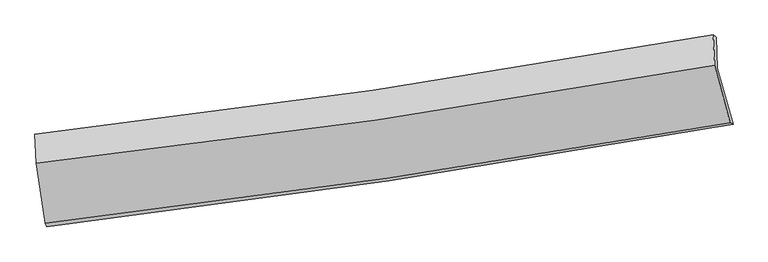
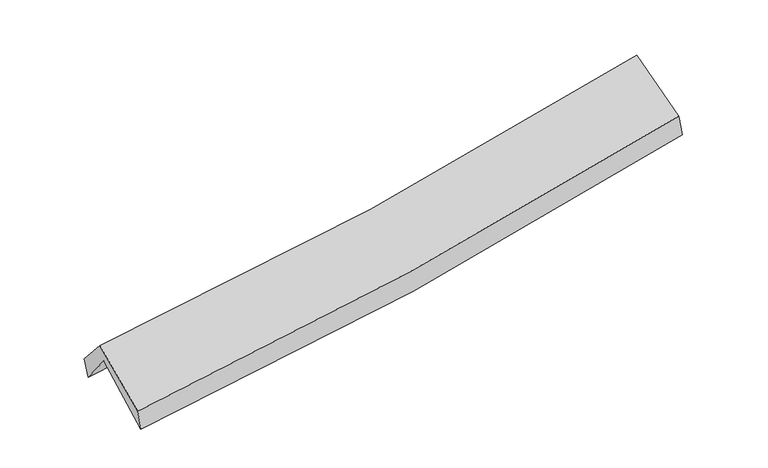
"""IFC4 building model written with IfcOpenShell, lengths in millimetres: proxy geometry."""

from ifc_helpers import new_model, si_unit, frame, origin, place, context, project, spatial, source, transform, mapped, element, save
from ifc_brep_helpers import plane_surface, spline_curve, spline_surface, advanced_brep


def generic_models_3a090ca8(model_context):
    return source(origin(), model_context, "Body", "AdvancedBrep", [
        advanced_brep(
        [(-2866.3892564, -2503.5052751, 1464.3320007), (-2946.8860263, -2006.2551035, 1908.978972), (2890.5660186, -1143.4750682, 2387.8150015), (3025.1133167, -1626.7370408, 1964.7339726), (-2954.8013443, -1748.7593887, 1585.4979298), (2881.4653097, -877.0172874, 2067.9956092), (-2969.7257867, -1708.7154659, 1759.7350859), (2854.0090467, -857.648911, 2272.4510231), (-2959.929709, -1961.6800041, 2044.3995968), (2866.9592614, -1118.1757308, 2550.7170563), (-2880.1546915, -2475.4684423, 1640.7003503), (2999.4364813, -1612.4139137, 2161.5877425)],
        [
            (0, 1),
            (1, 2, spline_curve(3, [(-2946.8860263, -2006.2551035, 1908.978972), (-1973.357359325, -1886.921230591, 1952.731665717), (-1003.078863233, -1755.865224794, 2014.159990658), (942.818565919, -1468.560700523, 2173.336491716), (1918.357418038, -1312.023361302, 2271.520176699), (2890.5660186, -1143.4750682, 2387.8150015)], [4, 2, 4], [0.0, 9.70239555851177, 19.523592096973115])),
            (2, 3),
            (3, 0, spline_curve(3, [(3025.1133167, -1626.7370408, 1964.7339726), (2044.369654065, -1800.863144651, 1838.250850648), (1060.030045253, -1961.35233185, 1733.184915097), (-903.890615276, -2253.280490471, 1566.89926502), (-1883.385197581, -2385.04738168, 1505.164543081), (-2866.3892564, -2503.5052751, 1464.3320007)], [4, 2, 4], [0.0, 9.821196538461345, 19.523592096973115])),
            (1, 4),
            (4, 5, spline_curve(3, [(-2954.8013443, -1748.7593887, 1585.4979298), (-1980.961960141, -1628.749141529, 1626.843635766), (-1010.624744041, -1496.615113595, 1687.362578864), (934.883763339, -1206.333129893, 1847.722730418), (1909.96876529, -1047.88645789, 1948.036347297), (2881.4653097, -877.0172874, 2067.9956092)], [4, 2, 4], [0.0, 9.655942303868986, 19.430116790822886])),
            (5, 2),
            (4, 6),
            (6, 7, spline_curve(3, [(-2969.7257867, -1708.7154659, 1759.7350859), (-1997.304720179, -1598.372269326, 1811.240204658), (-1028.712626027, -1472.803235846, 1879.357399358), (912.626660433, -1189.489532198, 2049.853407773), (1885.279510483, -1031.369714321, 2152.641525543), (2854.0090467, -857.648911, 2272.4510231)], [4, 2, 4], [0.0, 9.645975581589044, 19.410061308734576])),
            (7, 5),
            (6, 8),
            (8, 9, spline_curve(3, [(-2959.929709, -1961.6800041, 2044.3995968), (-1986.697905134, -1852.944788856, 2090.222840639), (-1017.43831986, -1728.807182277, 2154.955073771), (924.955874577, -1448.018589457, 2323.261663153), (1897.992612875, -1290.988104877, 2427.301916628), (2866.9592614, -1118.1757308, 2550.7170563)], [4, 2, 4], [0.0, 9.637038333565721, 19.392077380556785])),
            (9, 7),
            (8, 10),
            (10, 11, spline_curve(3, [(-2880.1546915, -2475.4684423, 1640.7003503), (-1899.426727643, -2359.938181252, 1691.862456437), (-922.0576912, -2230.772957022, 1760.479794124), (1037.888793534, -1943.42406532, 1933.678846417), (2020.383481422, -1784.904446652, 2038.690639794), (2999.4364813, -1612.4139137, 2161.5877425)], [4, 2, 4], [0.0, 9.683829754002046, 19.48623315896507])),
            (11, 9),
            (10, 0),
            (3, 11),
        ],
        [
            spline_surface(3, 3, [[(-2866.3892564, -2503.5052751, 1464.3320007), (-1883.385197615, -2385.047381549, 1505.16454316), (-903.890615399, -2253.280490487, 1566.899265054), (1060.030045378, -1961.352331833, 1733.184915062), (2044.369654182, -1800.863144743, 1838.250850497), (3025.1133167, -1626.7370408, 1964.7339726)], [(-2893.221513023, -2337.755217926, 1612.547657782), (-1913.375918191, -2219.005331255, 1654.353583954), (-936.953364656, -2087.475401928, 1715.986173569), (1020.959552208, -1797.088454716, 1879.902107319), (2002.365575452, -1637.916550214, 1982.673959216), (2980.264217354, -1465.649716591, 2105.760982229)], [(-2920.053769677, -2172.005160674, 1760.763314918), (-1943.366638797, -2052.963280884, 1803.542624802), (-970.01611392, -1921.670313382, 1865.073082055), (981.889059031, -1632.824577611, 2026.619299547), (1960.36149666, -1474.96995571, 2127.097067949), (2935.415117946, -1304.562392409, 2246.787991871)], [(-2946.8860263, -2006.2551035, 1908.978972), (-1973.357359373, -1886.921230591, 1952.731665597), (-1003.078863176, -1755.865224823, 2014.15999057), (942.818565861, -1468.560700494, 2173.336491805), (1918.35741793, -1312.02336118, 2271.520176668), (2890.5660186, -1143.4750682, 2387.8150015)]], [4, 4], [4, 2, 4], [0.0, 2.209802833311517], [0.0, 9.70239555851177, 19.523592096973115]),
            spline_surface(3, 3, [[(-2946.8860263, -2006.2551035, 1908.978972), (-1973.357359373, -1886.921230591, 1952.731665597), (-1003.078863176, -1755.865224823, 2014.15999057), (942.818565861, -1468.560700494, 2173.336491805), (1918.35741793, -1312.02336118, 2271.520176668), (2890.5660186, -1143.4750682, 2387.8150015)], [(-2949.524465639, -1920.42319856, 1801.151957933), (-1975.892226344, -1800.863867607, 1844.102322271), (-1005.594156862, -1669.44852104, 1905.227519953), (940.17363172, -1381.151510322, 2064.79857138), (1915.5612004, -1223.977726692, 2163.692233527), (2887.532448953, -1054.655807912, 2281.208537412)], [(-2952.162904961, -1834.59129364, 1693.324943867), (-1978.4270933, -1714.806504643, 1735.472978946), (-1008.109450499, -1583.031817275, 1796.295049353), (937.528697627, -1293.742320169, 1956.260650972), (1912.764982912, -1135.932092268, 2055.86429035), (2884.498879347, -965.836547688, 2174.602073288)], [(-2954.8013443, -1748.7593887, 1585.4979298), (-1980.961960271, -1628.74914166, 1626.84363562), (-1010.624744185, -1496.615113492, 1687.362578736), (934.883763485, -1206.333129997, 1847.722730547), (1909.968765382, -1047.88645778, 1948.036347209), (2881.4653097, -877.0172874, 2067.9956092)]], [4, 4], [4, 2, 4], [0.0, 1.3703524341783784], [0.0, 9.655942303868986, 19.430116790822886]),
            spline_surface(3, 3, [[(-2954.8013443, -1748.7593887, 1585.4979298), (-1980.961960271, -1628.74914166, 1626.84363562), (-1010.624744185, -1496.615113492, 1687.362578736), (934.883763485, -1206.333129997, 1847.722730547), (1909.968765382, -1047.88645778, 1948.036347209), (2881.4653097, -877.0172874, 2067.9956092)], [(-2959.776158417, -1735.411414431, 1643.576981835), (-1986.409546927, -1618.623517495, 1688.309158624), (-1016.654038089, -1488.677820894, 1751.360852244), (927.464729099, -1200.718597442, 1915.099623015), (1901.739013728, -1042.380876594, 2016.238073375), (2872.313222032, -870.561161939, 2136.147413843)], [(-2964.750972583, -1722.063440169, 1701.656033865), (-1991.85713363, -1608.497893337, 1749.774681624), (-1022.683332005, -1480.740528304, 1815.359125713), (920.0456947, -1195.104064896, 1982.476515444), (1893.509262076, -1036.875295393, 2084.439799511), (2863.161134368, -864.105036461, 2204.299218457)], [(-2969.7257867, -1708.7154659, 1759.7350859), (-1997.304720286, -1598.372269172, 1811.240204628), (-1028.712625909, -1472.803235706, 1879.357399221), (912.626660314, -1189.489532341, 2049.853407911), (1885.279510421, -1031.369714207, 2152.641525678), (2854.0090467, -857.648911, 2272.4510231)]], [4, 4], [4, 2, 4], [0.0, 0.6535165406036618], [0.0, 9.645975581589044, 19.410061308734576]),
            spline_surface(3, 3, [[(-2969.7257867, -1708.7154659, 1759.7350859), (-1997.304720286, -1598.372269172, 1811.240204628), (-1028.712625909, -1472.803235706, 1879.357399221), (912.626660314, -1189.489532341, 2049.853407911), (1885.279510421, -1031.369714207, 2152.641525678), (2854.0090467, -857.648911, 2272.4510231)], [(-2966.460427469, -1793.036978619, 1854.623256205), (-1993.769115283, -1683.229775686, 1904.234416666), (-1024.954523911, -1558.137884567, 1971.223290726), (916.736398452, -1275.665884757, 2140.98949295), (1889.517211226, -1117.909177796, 2244.194989277), (2858.325784916, -944.491184276, 2365.206367486)], [(-2963.195068231, -1877.358491381, 1949.511426495), (-1990.233510273, -1768.087282244, 1997.228628689), (-1021.196421961, -1643.472533356, 2063.08918231), (920.846136543, -1361.842237102, 2232.125578069), (1893.754912083, -1204.448641358, 2335.748452918), (2862.642523184, -1031.333457524, 2457.961711914)], [(-2959.929709, -1961.6800041, 2044.3995968), (-1986.69790527, -1852.944788759, 2090.222840727), (-1017.438319963, -1728.807182217, 2154.955073815), (924.955874681, -1448.018589518, 2323.261663109), (1897.992612888, -1290.988104947, 2427.301916517), (2866.9592614, -1118.1757308, 2550.7170563)]], [4, 4], [4, 2, 4], [0.0, 1.2349130488608309], [0.0, 9.637038333565721, 19.392077380556785]),
            spline_surface(3, 3, [[(-2959.929709, -1961.6800041, 2044.3995968), (-1986.69790527, -1852.944788759, 2090.222840727), (-1017.438319963, -1728.807182217, 2154.955073815), (924.955874681, -1448.018589518, 2323.261663109), (1897.992612888, -1290.988104947, 2427.301916517), (2866.9592614, -1118.1757308, 2550.7170563)], [(-2933.338036502, -2132.942816849, 1909.833181296), (-1957.607512716, -2021.94258631, 1957.436046005), (-985.644777016, -1896.129107174, 2023.463313872), (962.600180961, -1613.153748035, 2193.400724256), (1938.789569052, -1455.626885458, 2297.764824296), (2911.118334729, -1282.921791751, 2421.007285028)], [(-2906.746363998, -2304.205629551, 1775.266765804), (-1928.517120157, -2190.940383813, 1824.649251295), (-953.851234102, -2063.451032223, 1891.971553933), (1000.244487208, -1778.288906642, 2063.539785406), (1979.586525127, -1620.265666015, 2168.227732091), (2955.277407971, -1447.667852749, 2291.297513772)], [(-2880.1546915, -2475.4684423, 1640.7003503), (-1899.426727604, -2359.938181364, 1691.862456574), (-922.057691155, -2230.772957181, 1760.47979399), (1037.888793488, -1943.424065159, 1933.678846553), (2020.38348129, -1784.904446525, 2038.69063987), (2999.4364813, -1612.4139137, 2161.5877425)]], [4, 4], [4, 2, 4], [0.0, 2.1088993043309974], [0.0, 9.683829754002046, 19.48623315896507]),
            spline_surface(3, 3, [[(-2880.1546915, -2475.4684423, 1640.7003503), (-1899.426727604, -2359.938181364, 1691.862456574), (-922.057691155, -2230.772957181, 1760.47979399), (1037.888793488, -1943.424065159, 1933.678846553), (2020.38348129, -1784.904446525, 2038.69063987), (2999.4364813, -1612.4139137, 2161.5877425)], [(-2875.56621315, -2484.814053214, 1581.91090045), (-1894.079550957, -2368.307914739, 1629.629818785), (-916.001999253, -2238.275468303, 1695.952951022), (1045.269210768, -1949.40015407, 1866.847536067), (2028.378872237, -1790.22401263, 1971.877376747), (3007.995426416, -1617.188289431, 2095.969819202)], [(-2870.97773475, -2494.159664186, 1523.12145055), (-1888.732374262, -2376.677648173, 1567.397180948), (-909.946307301, -2245.777979365, 1631.426108022), (1052.649628098, -1955.376242922, 1800.016225549), (2036.374263236, -1795.543578639, 1905.064113619), (3016.554371584, -1621.962665069, 2030.351895898)], [(-2866.3892564, -2503.5052751, 1464.3320007), (-1883.385197615, -2385.047381549, 1505.16454316), (-903.890615399, -2253.280490487, 1566.899265054), (1060.030045378, -1961.352331833, 1733.184915062), (2044.369654182, -1800.863144743, 1838.250850497), (3025.1133167, -1626.7370408, 1964.7339726)]], [4, 4], [4, 2, 4], [0.0, 0.6533313110162996], [0.0, 9.739279767700545, 19.597812144040702]),
            plane_surface(frame((2919.5915724, -1205.9113253, 2234.2167342), z_axis=(0.9784143342176794, 0.17160854653401175, 0.11513425795070414), x_axis=(0.20608118288537483, -0.7688354975919256, -0.6053284428334266))),
            plane_surface(frame((-2929.6478024, -2067.3972799, 1733.9406559), z_axis=(-0.9924643744947657, -0.10654227973025937, -0.06052444124973773), x_axis=(-0.0768535001854026, 0.15653182935095258, 0.9846782854868369))),
        ],
        [
            (0, [[1, 2, 3, 4]]),
            (1, [[5, 6, 7, -2]]),
            (2, [[8, 9, 10, -6]]),
            (3, [[11, 12, 13, -9]]),
            (4, [[14, 15, 16, -12]]),
            (5, [[17, -4, 18, -15]]),
            (6, [[-16, -18, -3, -7, -10, -13]]),
            (7, [[-17, -14, -11, -8, -5, -1]]),
        ],
    ),
    ])


if __name__ == "__main__":
    model = new_model("IFC4")
    model_context = context("Model", 3, world=origin())
    ifc_project = project(units=[si_unit("LENGTHUNIT", "METRE", prefix="MILLI")], contexts=[model_context])
    site = spatial("IfcSite", under=ifc_project)
    building = spatial("IfcBuilding", under=site)
    placement = place(None, origin())
    generic_models_shape = generic_models_3a090ca8(model_context)
    element("IfcBuildingElementProxy", 1, Name="Generic Models", at=placement, inside=building, context=model_context, shape_type="MappedRepresentation", body=[
        mapped(generic_models_shape, transform((0.0, 0.0, 0.0), x_axis=(1.0, 0.0, 0.0), y_axis=(0.0, 1.0, 0.0), z_axis=(0.0, 0.0, 1.0))),
    ])
    save(model, "model.ifc")
